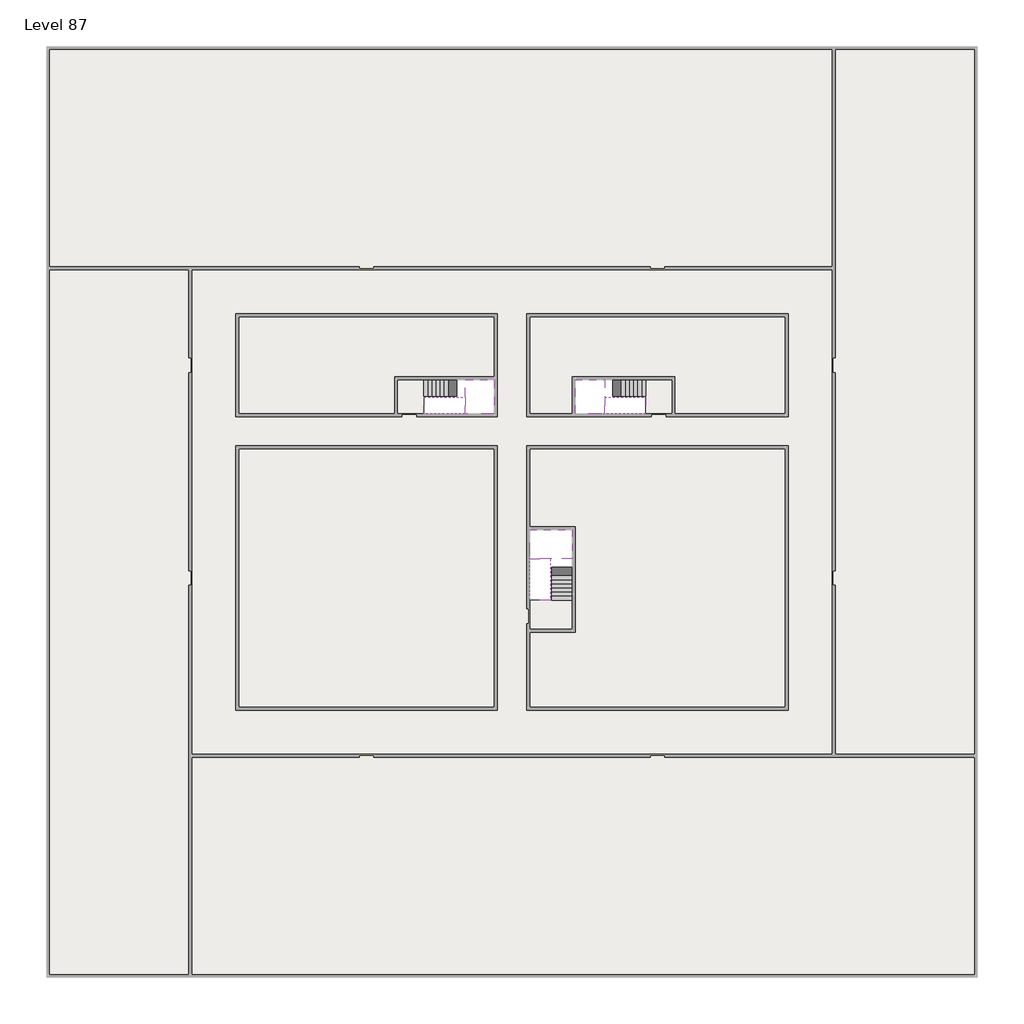
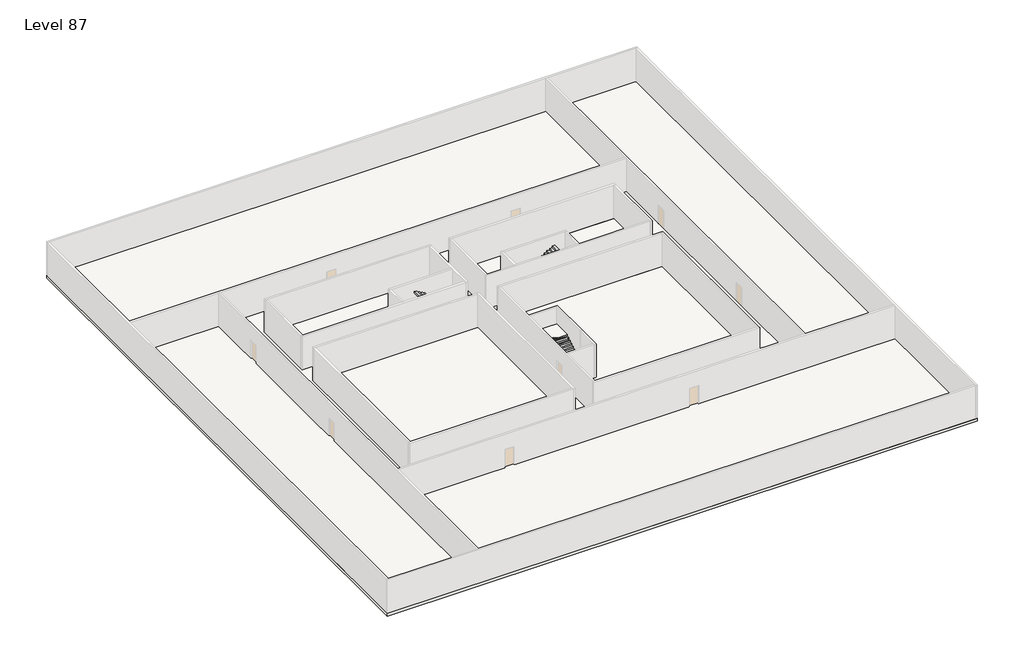
# One storey, part 2 of 2: 6 slabs, 6 stair flights.
"""IFC4 building model written with IfcOpenShell, lengths in millimetres."""

from ifc_helpers import new_model, si_unit, frame, origin, place, context, project, spatial, polyline, outline, extrude, faceted_brep, element, save

model = new_model("IFC4")

# Units and contexts
model_context = context("Model", 3, world=origin())
ifc_project = project(units=[si_unit("LENGTHUNIT", "METRE", prefix="MILLI")], contexts=[model_context])

# Site, building, storey
site = spatial("IfcSite", under=ifc_project)
building = spatial("IfcBuilding", under=site)
storey = spatial("IfcBuildingStorey", under=building, Name="Level 87", Elevation=326800.0)

# Slabs
placement = place(None, origin())
element("IfcSlab", 1, at=placement, inside=storey, context=model_context, shape_type="SweptSolid", body=[
    extrude(outline(polyline([(55890.1058784, -5518.09644), (55890.1058784, -68918.09644), (-7509.8941216, -68918.09644), (-7509.8941216, -5518.09644), (55890.1058784, -5518.09644)]), holes=[polyline([(22990.1058784, -23918.09644), (5590.1058784, -23918.09644), (5590.1058784, -30518.09644), (22990.1058784, -30518.09644), (22990.1058784, -23918.09644)]), polyline([(42990.1058784, -23918.09644), (25390.1058784, -23918.09644), (25390.1058784, -30518.09644), (42990.1058784, -30518.09644), (42990.1058784, -23918.09644)]), polyline([(25390.1058784, -50518.09644), (42790.1058784, -50518.09644), (42790.1058784, -32918.09644), (25390.1058784, -32918.09644), (25390.1058784, -50518.09644)]), polyline([(22990.1058784, -32918.09644), (5590.1058784, -32918.09644), (5590.1058784, -50518.09644), (22990.1058784, -50518.09644), (22990.1058784, -32918.09644)])]), frame((0.0, 0.0, 326500.0), z_axis=(0.0, 0.0, 1.0), x_axis=(1.0, 0.0, 0.0)), (0.0, 0.0, 1.0), 300.0),
])
element("IfcSlab", 2, at=placement, inside=storey, context=model_context, shape_type="SweptSolid", body=[
    extrude(outline(polyline([(22990.1058784, -23918.09644), (22990.1058784, -28018.09644), (16190.1058784, -28018.09644), (16190.1058784, -30518.09644), (5590.1058784, -30518.09644), (5590.1058784, -23918.09644), (22990.1058784, -23918.09644)])), frame((0.0, 0.0, 326500.0), z_axis=(0.0, 0.0, 1.0), x_axis=(1.0, 0.0, 0.0)), (0.0, 0.0, 1.0), 300.0),
    extrude(outline(polyline([(42790.1058784, -23918.09644), (42790.1058784, -30518.09644), (35290.1058784, -30518.09644), (35290.1058784, -28018.09644), (28490.1058784, -28018.09644), (28490.1058784, -30518.09644), (25390.1058784, -30518.09644), (25390.1058784, -23918.09644), (42790.1058784, -23918.09644)])), frame((0.0, 0.0, 326500.0), z_axis=(0.0, 0.0, 1.0), x_axis=(1.0, 0.0, 0.0)), (0.0, 0.0, 1.0), 300.0),
    extrude(outline(polyline([(22990.1058784, -32918.09644), (22990.1058784, -50518.09644), (5590.1058784, -50518.09644), (5590.1058784, -32918.09644), (22990.1058784, -32918.09644)])), frame((0.0, 0.0, 326500.0), z_axis=(0.0, 0.0, 1.0), x_axis=(1.0, 0.0, 0.0)), (0.0, 0.0, 1.0), 300.0),
    extrude(outline(polyline([(25390.1058784, -38218.09644), (25390.1058784, -32918.09644), (42790.1058784, -32918.09644), (42790.1058784, -50518.09644), (25390.1058784, -50518.09644), (25390.1058784, -45418.09644), (28490.1058784, -45418.09644), (28490.1058784, -38218.09644), (25390.1058784, -38218.09644)])), frame((0.0, 0.0, 326500.0), z_axis=(0.0, 0.0, 1.0), x_axis=(1.0, 0.0, 0.0)), (0.0, 0.0, 1.0), 300.0),
])
element("IfcSlab", 3, at=placement, inside=storey, context=model_context, shape_type="Brep", body=[
    faceted_brep([(26890.1058784, -40418.09644, 328700.0), (28290.1058784, -40418.09644, 328700.0), (28290.1058784, -40338.7100038, 328700.0), (28290.1058784, -38418.09644, 328700.0), (25390.1058784, -38418.09644, 328700.0), (25390.1058784, -40217.4828763, 328700.0), (25390.1058784, -40418.09644, 328700.0), (26790.1058784, -40418.09644, 328700.0), (26890.1058784, -40418.09644, 328400.0), (26890.1058784, -40418.09644, 328351.0278478), (28290.1058784, -40418.09644, 328351.0278478), (28290.1058784, -40418.09644, 328527.2727273), (28290.1058784, -40338.7100038, 328400.0), (28290.1058784, -38418.09644, 328400.0), (25390.1058784, -38418.09644, 328400.0), (25390.1058784, -40217.4828763, 328400.0), (25390.1058784, -40418.09644, 328523.7551205), (26790.1058784, -40418.09644, 328523.7551205), (26790.1058784, -40418.09644, 328400.0), (26790.1058784, -40217.4828763, 328400.0), (26890.1058784, -40338.7100038, 328400.0)], [[[0, 1, 2, 3, 4, 5, 6, 7]], [[1, 0, 8, 9, 10, 11]], [[1, 11, 10, 12, 13, 3, 2]], [[4, 3, 13, 14]], [[4, 14, 15, 16, 6, 5]], [[7, 6, 16, 17]], [[0, 7, 17, 18, 8]], [[18, 19, 15, 14, 13, 12, 20, 8]], [[19, 18, 17]], [[20, 12, 10, 9]], [[8, 20, 9]], [[15, 19, 17, 16]]]),
])
element("IfcSlab", 4, at=placement, inside=storey, context=model_context, shape_type="Brep", body=[
    faceted_brep([(20990.1058784, -28218.09644, 328700.0), (20990.1058784, -29318.09644, 328700.0), (20990.1058784, -29418.09644, 328700.0), (20990.1058784, -30518.09644, 328700.0), (21190.7194421, -30518.09644, 328700.0), (22990.1058784, -30518.09644, 328700.0), (22990.1058784, -28218.09644, 328700.0), (21069.4923146, -28218.09644, 328700.0), (20990.1058784, -28218.09644, 328527.2727273), (20990.1058784, -28218.09644, 328351.0278478), (20990.1058784, -29318.09644, 328351.0278478), (20990.1058784, -29318.09644, 328400.0), (20990.1058784, -29418.09644, 328400.0), (20990.1058784, -29418.09644, 328523.7551205), (20990.1058784, -30518.09644, 328523.7551205), (21190.7194421, -30518.09644, 328400.0), (22990.1058784, -30518.09644, 328400.0), (22990.1058784, -28218.09644, 328400.0), (21069.4923146, -28218.09644, 328400.0), (21190.7194421, -29418.09644, 328400.0), (21069.4923146, -29318.09644, 328400.0)], [[[0, 1, 2, 3, 4, 5, 6, 7]], [[1, 0, 8, 9, 10, 11]], [[2, 1, 11, 12, 13]], [[3, 2, 13, 14]], [[3, 14, 15, 16, 5, 4]], [[6, 5, 16, 17]], [[9, 8, 0, 7, 6, 17, 18]], [[19, 12, 11, 20, 18, 17, 16, 15]], [[12, 19, 13]], [[18, 20, 10, 9]], [[20, 11, 10]], [[19, 15, 14, 13]]]),
])
element("IfcSlab", 5, at=placement, inside=storey, context=model_context, shape_type="Brep", body=[
    faceted_brep([(30490.1058784, -29318.09644, 328700.0), (30490.1058784, -28218.09644, 328700.0), (30410.7194421, -28218.09644, 328700.0), (28490.1058784, -28218.09644, 328700.0), (28490.1058784, -30518.09644, 328700.0), (30289.4923146, -30518.09644, 328700.0), (30490.1058784, -30518.09644, 328700.0), (30490.1058784, -29418.09644, 328700.0), (30490.1058784, -29318.09644, 328400.0), (30490.1058784, -29318.09644, 328351.0278478), (30490.1058784, -28218.09644, 328351.0278478), (30490.1058784, -28218.09644, 328527.2727273), (30490.1058784, -29418.09644, 328523.7551205), (30490.1058784, -29418.09644, 328400.0), (30490.1058784, -30518.09644, 328523.7551205), (28490.1058784, -30518.09644, 328400.0), (30289.4923146, -30518.09644, 328400.0), (28490.1058784, -28218.09644, 328400.0), (30410.7194421, -28218.09644, 328400.0), (30289.4923146, -29418.09644, 328400.0), (30410.7194421, -29318.09644, 328400.0)], [[[0, 1, 2, 3, 4, 5, 6, 7]], [[1, 0, 8, 9, 10, 11]], [[0, 7, 12, 13, 8]], [[7, 6, 14, 12]], [[4, 15, 16, 14, 6, 5]], [[4, 3, 17, 15]], [[1, 11, 10, 18, 17, 3, 2]], [[13, 19, 16, 15, 17, 18, 20, 8]], [[20, 18, 10, 9]], [[8, 20, 9]], [[16, 19, 12, 14]], [[19, 13, 12]]]),
])
element("IfcSlab", 6, at=placement, inside=storey, context=model_context, shape_type="SweptSolid", body=[
    extrude(outline(polyline([(35090.1058784, -28218.09644), (35090.1058784, -30518.09644), (33290.1058784, -30518.09644), (33290.1058784, -28218.09644), (35090.1058784, -28218.09644)])), frame((0.0, 0.0, 326500.0), z_axis=(0.0, 0.0, 1.0), x_axis=(1.0, 0.0, 0.0)), (0.0, 0.0, 1.0), 300.0),
    extrude(outline(polyline([(18190.1058784, -28218.09644), (18190.1058784, -30518.09644), (16390.1058784, -30518.09644), (16390.1058784, -28218.09644), (18190.1058784, -28218.09644)])), frame((0.0, 0.0, 326500.0), z_axis=(0.0, 0.0, 1.0), x_axis=(1.0, 0.0, 0.0)), (0.0, 0.0, 1.0), 300.0),
    extrude(outline(polyline([(28290.1058784, -43218.09644), (28290.1058784, -45218.09644), (25390.1058784, -45218.09644), (25390.1058784, -43218.09644), (28290.1058784, -43218.09644)])), frame((0.0, 0.0, 326500.0), z_axis=(0.0, 0.0, 1.0), x_axis=(1.0, 0.0, 0.0)), (0.0, 0.0, 1.0), 300.0),
])

# Stair flights
element("IfcStairFlight", 7, at=placement, inside=storey, context=model_context, shape_type="Brep", body=[
    faceted_brep([(26890.1058784, -42938.09644, 326972.7272727), (26890.1058784, -43218.09644, 326972.7272727), (28290.1058784, -43218.09644, 326972.7272727), (28290.1058784, -42938.09644, 326972.7272727), (26890.1058784, -42938.09644, 326800.0), (26890.1058784, -43218.09644, 326800.0), (28290.1058784, -43218.09644, 326800.0), (28290.1058784, -42938.09644, 326800.0), (26890.1058784, -42658.09644, 327145.4545455), (26890.1058784, -42938.09644, 327145.4545455), (28290.1058784, -42938.09644, 327145.4545455), (28290.1058784, -42658.09644, 327145.4545455), (26890.1058784, -42658.09644, 326969.209666), (26890.1058784, -42932.3942143, 326800.0), (28290.1058784, -42932.3942143, 326800.0), (28290.1058784, -42658.09644, 326969.209666), (26890.1058784, -42378.09644, 327318.1818182), (26890.1058784, -42658.09644, 327318.1818182), (28290.1058784, -42658.09644, 327318.1818182), (28290.1058784, -42378.09644, 327318.1818182), (26890.1058784, -42378.09644, 327141.9369387), (28290.1058784, -42378.09644, 327141.9369387), (26890.1058784, -42098.09644, 327490.9090909), (26890.1058784, -42378.09644, 327490.9090909), (28290.1058784, -42378.09644, 327490.9090909), (28290.1058784, -42098.09644, 327490.9090909), (26890.1058784, -42098.09644, 327314.6642114), (28290.1058784, -42098.09644, 327314.6642114), (26890.1058784, -41818.09644, 327663.6363636), (26890.1058784, -42098.09644, 327663.6363636), (28290.1058784, -42098.09644, 327663.6363636), (28290.1058784, -41818.09644, 327663.6363636), (26890.1058784, -41818.09644, 327487.3914841), (28290.1058784, -41818.09644, 327487.3914841), (26890.1058784, -41538.09644, 327836.3636364), (26890.1058784, -41818.09644, 327836.3636364), (28290.1058784, -41818.09644, 327836.3636364), (28290.1058784, -41538.09644, 327836.3636364), (26890.1058784, -41538.09644, 327660.1187569), (28290.1058784, -41538.09644, 327660.1187569), (26890.1058784, -41258.09644, 328009.0909091), (26890.1058784, -41538.09644, 328009.0909091), (28290.1058784, -41538.09644, 328009.0909091), (28290.1058784, -41258.09644, 328009.0909091), (26890.1058784, -41258.09644, 327832.8460296), (28290.1058784, -41258.09644, 327832.8460296), (26890.1058784, -40978.09644, 328181.8181818), (26890.1058784, -41258.09644, 328181.8181818), (28290.1058784, -41258.09644, 328181.8181818), (28290.1058784, -40978.09644, 328181.8181818), (26890.1058784, -40978.09644, 328005.5733023), (28290.1058784, -40978.09644, 328005.5733023), (26890.1058784, -40698.09644, 328354.5454545), (26890.1058784, -40978.09644, 328354.5454545), (28290.1058784, -40978.09644, 328354.5454545), (28290.1058784, -40698.09644, 328354.5454545), (26890.1058784, -40698.09644, 328178.3005751), (28290.1058784, -40698.09644, 328178.3005751), (26890.1058784, -40418.09644, 328527.2727273), (26890.1058784, -40698.09644, 328527.2727273), (28290.1058784, -40698.09644, 328527.2727273), (28290.1058784, -40418.09644, 328527.2727273), (26890.1058784, -40418.09644, 328400.0), (26890.1058784, -40418.09644, 328351.0278478), (28290.1058784, -40418.09644, 328351.0278478)], [[[0, 1, 2, 3]], [[1, 0, 4, 5]], [[2, 1, 5, 6]], [[3, 2, 6, 7]], [[8, 9, 10, 11]], [[4, 0, 9, 8, 12, 13]], [[0, 3, 10, 9]], [[3, 7, 14, 15, 11, 10]], [[16, 17, 18, 19]], [[17, 16, 20, 12, 8]], [[8, 11, 18, 17]], [[19, 18, 11, 15, 21]], [[22, 23, 24, 25]], [[23, 22, 26, 20, 16]], [[16, 19, 24, 23]], [[25, 24, 19, 21, 27]], [[28, 29, 30, 31]], [[29, 28, 32, 26, 22]], [[22, 25, 30, 29]], [[31, 30, 25, 27, 33]], [[34, 35, 36, 37]], [[35, 34, 38, 32, 28]], [[28, 31, 36, 35]], [[37, 36, 31, 33, 39]], [[40, 41, 42, 43]], [[41, 40, 44, 38, 34]], [[34, 37, 42, 41]], [[43, 42, 37, 39, 45]], [[46, 47, 48, 49]], [[47, 46, 50, 44, 40]], [[40, 43, 48, 47]], [[49, 48, 43, 45, 51]], [[52, 53, 54, 55]], [[53, 52, 56, 50, 46]], [[46, 49, 54, 53]], [[55, 54, 49, 51, 57]], [[58, 59, 60, 61]], [[59, 58, 62, 63, 56, 52]], [[52, 55, 60, 59]], [[61, 60, 55, 57, 64]], [[58, 61, 64, 63, 62]], [[5, 4, 13, 14, 7, 6]], [[14, 13, 12, 20, 26, 32, 38, 44, 50, 56, 63, 64, 57, 51, 45, 39, 33, 27, 21, 15]]]),
])
element("IfcStairFlight", 8, at=placement, inside=storey, context=model_context, shape_type="Brep", body=[
    faceted_brep([(26790.1058784, -40698.09644, 328872.7272727), (26790.1058784, -40418.09644, 328872.7272727), (25390.1058784, -40418.09644, 328872.7272727), (25390.1058784, -40698.09644, 328872.7272727), (26790.1058784, -40698.09644, 328696.4823932), (26790.1058784, -40418.09644, 328523.7551205), (25390.1058784, -40418.09644, 328523.7551205), (25390.1058784, -40418.09644, 328700.0), (25390.1058784, -40698.09644, 328696.4823932), (26790.1058784, -40978.09644, 329045.4545455), (26790.1058784, -40698.09644, 329045.4545455), (25390.1058784, -40698.09644, 329045.4545455), (25390.1058784, -40978.09644, 329045.4545455), (26790.1058784, -40978.09644, 328869.209666), (25390.1058784, -40978.09644, 328869.209666), (26790.1058784, -41258.09644, 329218.1818182), (26790.1058784, -40978.09644, 329218.1818182), (25390.1058784, -40978.09644, 329218.1818182), (25390.1058784, -41258.09644, 329218.1818182), (26790.1058784, -41258.09644, 329041.9369387), (25390.1058784, -41258.09644, 329041.9369387), (26790.1058784, -41538.09644, 329390.9090909), (26790.1058784, -41258.09644, 329390.9090909), (25390.1058784, -41258.09644, 329390.9090909), (25390.1058784, -41538.09644, 329390.9090909), (26790.1058784, -41538.09644, 329214.6642114), (25390.1058784, -41538.09644, 329214.6642114), (26790.1058784, -41818.09644, 329563.6363636), (26790.1058784, -41538.09644, 329563.6363636), (25390.1058784, -41538.09644, 329563.6363636), (25390.1058784, -41818.09644, 329563.6363636), (26790.1058784, -41818.09644, 329387.3914841), (25390.1058784, -41818.09644, 329387.3914841), (26790.1058784, -42098.09644, 329736.3636364), (26790.1058784, -41818.09644, 329736.3636364), (25390.1058784, -41818.09644, 329736.3636364), (25390.1058784, -42098.09644, 329736.3636364), (26790.1058784, -42098.09644, 329560.1187569), (25390.1058784, -42098.09644, 329560.1187569), (26790.1058784, -42378.09644, 329909.0909091), (26790.1058784, -42098.09644, 329909.0909091), (25390.1058784, -42098.09644, 329909.0909091), (25390.1058784, -42378.09644, 329909.0909091), (26790.1058784, -42378.09644, 329732.8460296), (25390.1058784, -42378.09644, 329732.8460296), (26790.1058784, -42658.09644, 330081.8181818), (26790.1058784, -42378.09644, 330081.8181818), (25390.1058784, -42378.09644, 330081.8181818), (25390.1058784, -42658.09644, 330081.8181818), (26790.1058784, -42658.09644, 329905.5733023), (25390.1058784, -42658.09644, 329905.5733023), (26790.1058784, -42938.09644, 330254.5454545), (26790.1058784, -42658.09644, 330254.5454545), (25390.1058784, -42658.09644, 330254.5454545), (25390.1058784, -42938.09644, 330254.5454545), (26790.1058784, -42938.09644, 330078.3005751), (25390.1058784, -42938.09644, 330078.3005751), (26790.1058784, -43218.09644, 330427.2727273), (26790.1058784, -42938.09644, 330427.2727273), (25390.1058784, -42938.09644, 330427.2727273), (25390.1058784, -43218.09644, 330427.2727273), (26790.1058784, -43218.09644, 330251.0278478), (25390.1058784, -43218.09644, 330251.0278478)], [[[0, 1, 2, 3]], [[1, 0, 4, 5]], [[2, 1, 5, 6, 7]], [[3, 2, 7, 6, 8]], [[9, 10, 11, 12]], [[10, 9, 13, 4, 0]], [[11, 10, 0, 3]], [[12, 11, 3, 8, 14]], [[15, 16, 17, 18]], [[16, 15, 19, 13, 9]], [[17, 16, 9, 12]], [[18, 17, 12, 14, 20]], [[21, 22, 23, 24]], [[22, 21, 25, 19, 15]], [[23, 22, 15, 18]], [[24, 23, 18, 20, 26]], [[27, 28, 29, 30]], [[28, 27, 31, 25, 21]], [[29, 28, 21, 24]], [[30, 29, 24, 26, 32]], [[33, 34, 35, 36]], [[34, 33, 37, 31, 27]], [[35, 34, 27, 30]], [[36, 35, 30, 32, 38]], [[39, 40, 41, 42]], [[40, 39, 43, 37, 33]], [[41, 40, 33, 36]], [[42, 41, 36, 38, 44]], [[45, 46, 47, 48]], [[46, 45, 49, 43, 39]], [[47, 46, 39, 42]], [[48, 47, 42, 44, 50]], [[51, 52, 53, 54]], [[52, 51, 55, 49, 45]], [[53, 52, 45, 48]], [[54, 53, 48, 50, 56]], [[57, 58, 59, 60]], [[58, 57, 61, 55, 51]], [[59, 58, 51, 54]], [[60, 59, 54, 56, 62]], [[57, 60, 62, 61]], [[5, 4, 13, 19, 25, 31, 37, 43, 49, 55, 61, 62, 56, 50, 44, 38, 32, 26, 20, 14, 8, 6]]]),
])
element("IfcStairFlight", 9, at=placement, inside=storey, context=model_context, shape_type="Brep", body=[
    faceted_brep([(18470.1058784, -28218.09644, 326972.7272727), (18190.1058784, -28218.09644, 326972.7272727), (18190.1058784, -29318.09644, 326972.7272727), (18470.1058784, -29318.09644, 326972.7272727), (18470.1058784, -28218.09644, 326800.0), (18190.1058784, -28218.09644, 326800.0), (18190.1058784, -29318.09644, 326800.0), (18470.1058784, -29318.09644, 326800.0), (18750.1058784, -28218.09644, 327145.4545455), (18470.1058784, -28218.09644, 327145.4545455), (18470.1058784, -29318.09644, 327145.4545455), (18750.1058784, -29318.09644, 327145.4545455), (18750.1058784, -28218.09644, 326969.209666), (18475.8081041, -28218.09644, 326800.0), (18475.8081041, -29318.09644, 326800.0), (18750.1058784, -29318.09644, 326969.209666), (19030.1058784, -28218.09644, 327318.1818182), (18750.1058784, -28218.09644, 327318.1818182), (18750.1058784, -29318.09644, 327318.1818182), (19030.1058784, -29318.09644, 327318.1818182), (19030.1058784, -28218.09644, 327141.9369387), (19030.1058784, -29318.09644, 327141.9369387), (19310.1058784, -28218.09644, 327490.9090909), (19030.1058784, -28218.09644, 327490.9090909), (19030.1058784, -29318.09644, 327490.9090909), (19310.1058784, -29318.09644, 327490.9090909), (19310.1058784, -28218.09644, 327314.6642114), (19310.1058784, -29318.09644, 327314.6642114), (19590.1058784, -28218.09644, 327663.6363636), (19310.1058784, -28218.09644, 327663.6363636), (19310.1058784, -29318.09644, 327663.6363636), (19590.1058784, -29318.09644, 327663.6363636), (19590.1058784, -28218.09644, 327487.3914841), (19590.1058784, -29318.09644, 327487.3914841), (19870.1058784, -28218.09644, 327836.3636364), (19590.1058784, -28218.09644, 327836.3636364), (19590.1058784, -29318.09644, 327836.3636364), (19870.1058784, -29318.09644, 327836.3636364), (19870.1058784, -28218.09644, 327660.1187569), (19870.1058784, -29318.09644, 327660.1187569), (20150.1058784, -28218.09644, 328009.0909091), (19870.1058784, -28218.09644, 328009.0909091), (19870.1058784, -29318.09644, 328009.0909091), (20150.1058784, -29318.09644, 328009.0909091), (20150.1058784, -28218.09644, 327832.8460296), (20150.1058784, -29318.09644, 327832.8460296), (20430.1058784, -28218.09644, 328181.8181818), (20150.1058784, -28218.09644, 328181.8181818), (20150.1058784, -29318.09644, 328181.8181818), (20430.1058784, -29318.09644, 328181.8181818), (20430.1058784, -28218.09644, 328005.5733023), (20430.1058784, -29318.09644, 328005.5733023), (20710.1058784, -28218.09644, 328354.5454545), (20430.1058784, -28218.09644, 328354.5454545), (20430.1058784, -29318.09644, 328354.5454545), (20710.1058784, -29318.09644, 328354.5454545), (20710.1058784, -28218.09644, 328178.3005751), (20710.1058784, -29318.09644, 328178.3005751), (20990.1058784, -28218.09644, 328527.2727273), (20710.1058784, -28218.09644, 328527.2727273), (20710.1058784, -29318.09644, 328527.2727273), (20990.1058784, -29318.09644, 328527.2727273), (20990.1058784, -28218.09644, 328351.0278478), (20990.1058784, -29318.09644, 328351.0278478), (20990.1058784, -29318.09644, 328400.0)], [[[0, 1, 2, 3]], [[1, 0, 4, 5]], [[2, 1, 5, 6]], [[3, 2, 6, 7]], [[8, 9, 10, 11]], [[4, 0, 9, 8, 12, 13]], [[0, 3, 10, 9]], [[3, 7, 14, 15, 11, 10]], [[16, 17, 18, 19]], [[17, 16, 20, 12, 8]], [[8, 11, 18, 17]], [[19, 18, 11, 15, 21]], [[22, 23, 24, 25]], [[23, 22, 26, 20, 16]], [[16, 19, 24, 23]], [[25, 24, 19, 21, 27]], [[28, 29, 30, 31]], [[29, 28, 32, 26, 22]], [[22, 25, 30, 29]], [[31, 30, 25, 27, 33]], [[34, 35, 36, 37]], [[35, 34, 38, 32, 28]], [[28, 31, 36, 35]], [[37, 36, 31, 33, 39]], [[40, 41, 42, 43]], [[41, 40, 44, 38, 34]], [[34, 37, 42, 41]], [[43, 42, 37, 39, 45]], [[46, 47, 48, 49]], [[47, 46, 50, 44, 40]], [[40, 43, 48, 47]], [[49, 48, 43, 45, 51]], [[52, 53, 54, 55]], [[53, 52, 56, 50, 46]], [[46, 49, 54, 53]], [[55, 54, 49, 51, 57]], [[58, 59, 60, 61]], [[59, 58, 62, 56, 52]], [[52, 55, 60, 59]], [[61, 60, 55, 57, 63, 64]], [[58, 61, 64, 63, 62]], [[5, 4, 13, 14, 7, 6]], [[14, 13, 12, 20, 26, 32, 38, 44, 50, 56, 62, 63, 57, 51, 45, 39, 33, 27, 21, 15]]]),
])
element("IfcStairFlight", 10, at=placement, inside=storey, context=model_context, shape_type="Brep", body=[
    faceted_brep([(20710.1058784, -30518.09644, 328872.7272727), (20990.1058784, -30518.09644, 328872.7272727), (20990.1058784, -29418.09644, 328872.7272727), (20710.1058784, -29418.09644, 328872.7272727), (20710.1058784, -30518.09644, 328696.4823932), (20990.1058784, -30518.09644, 328523.7551205), (20990.1058784, -30518.09644, 328700.0), (20990.1058784, -29418.09644, 328523.7551205), (20710.1058784, -29418.09644, 328696.4823932), (20430.1058784, -30518.09644, 329045.4545455), (20710.1058784, -30518.09644, 329045.4545455), (20710.1058784, -29418.09644, 329045.4545455), (20430.1058784, -29418.09644, 329045.4545455), (20430.1058784, -30518.09644, 328869.209666), (20430.1058784, -29418.09644, 328869.209666), (20150.1058784, -30518.09644, 329218.1818182), (20430.1058784, -30518.09644, 329218.1818182), (20430.1058784, -29418.09644, 329218.1818182), (20150.1058784, -29418.09644, 329218.1818182), (20150.1058784, -30518.09644, 329041.9369387), (20150.1058784, -29418.09644, 329041.9369387), (19870.1058784, -30518.09644, 329390.9090909), (20150.1058784, -30518.09644, 329390.9090909), (20150.1058784, -29418.09644, 329390.9090909), (19870.1058784, -29418.09644, 329390.9090909), (19870.1058784, -30518.09644, 329214.6642114), (19870.1058784, -29418.09644, 329214.6642114), (19590.1058784, -30518.09644, 329563.6363636), (19870.1058784, -30518.09644, 329563.6363636), (19870.1058784, -29418.09644, 329563.6363636), (19590.1058784, -29418.09644, 329563.6363636), (19590.1058784, -30518.09644, 329387.3914841), (19590.1058784, -29418.09644, 329387.3914841), (19310.1058784, -30518.09644, 329736.3636364), (19590.1058784, -30518.09644, 329736.3636364), (19590.1058784, -29418.09644, 329736.3636364), (19310.1058784, -29418.09644, 329736.3636364), (19310.1058784, -30518.09644, 329560.1187569), (19310.1058784, -29418.09644, 329560.1187569), (19030.1058784, -30518.09644, 329909.0909091), (19310.1058784, -30518.09644, 329909.0909091), (19310.1058784, -29418.09644, 329909.0909091), (19030.1058784, -29418.09644, 329909.0909091), (19030.1058784, -30518.09644, 329732.8460296), (19030.1058784, -29418.09644, 329732.8460296), (18750.1058784, -30518.09644, 330081.8181818), (19030.1058784, -30518.09644, 330081.8181818), (19030.1058784, -29418.09644, 330081.8181818), (18750.1058784, -29418.09644, 330081.8181818), (18750.1058784, -30518.09644, 329905.5733023), (18750.1058784, -29418.09644, 329905.5733023), (18470.1058784, -30518.09644, 330254.5454545), (18750.1058784, -30518.09644, 330254.5454545), (18750.1058784, -29418.09644, 330254.5454545), (18470.1058784, -29418.09644, 330254.5454545), (18470.1058784, -30518.09644, 330078.3005751), (18470.1058784, -29418.09644, 330078.3005751), (18190.1058784, -30518.09644, 330427.2727273), (18470.1058784, -30518.09644, 330427.2727273), (18470.1058784, -29418.09644, 330427.2727273), (18190.1058784, -29418.09644, 330427.2727273), (18190.1058784, -30518.09644, 330251.0278478), (18190.1058784, -29418.09644, 330251.0278478)], [[[0, 1, 2, 3]], [[1, 0, 4, 5, 6]], [[2, 1, 6, 5, 7]], [[3, 2, 7, 8]], [[9, 10, 11, 12]], [[10, 9, 13, 4, 0]], [[11, 10, 0, 3]], [[12, 11, 3, 8, 14]], [[15, 16, 17, 18]], [[16, 15, 19, 13, 9]], [[17, 16, 9, 12]], [[18, 17, 12, 14, 20]], [[21, 22, 23, 24]], [[22, 21, 25, 19, 15]], [[23, 22, 15, 18]], [[24, 23, 18, 20, 26]], [[27, 28, 29, 30]], [[28, 27, 31, 25, 21]], [[29, 28, 21, 24]], [[30, 29, 24, 26, 32]], [[33, 34, 35, 36]], [[34, 33, 37, 31, 27]], [[35, 34, 27, 30]], [[36, 35, 30, 32, 38]], [[39, 40, 41, 42]], [[40, 39, 43, 37, 33]], [[41, 40, 33, 36]], [[42, 41, 36, 38, 44]], [[45, 46, 47, 48]], [[46, 45, 49, 43, 39]], [[47, 46, 39, 42]], [[48, 47, 42, 44, 50]], [[51, 52, 53, 54]], [[52, 51, 55, 49, 45]], [[53, 52, 45, 48]], [[54, 53, 48, 50, 56]], [[57, 58, 59, 60]], [[58, 57, 61, 55, 51]], [[59, 58, 51, 54]], [[60, 59, 54, 56, 62]], [[57, 60, 62, 61]], [[5, 4, 13, 19, 25, 31, 37, 43, 49, 55, 61, 62, 56, 50, 44, 38, 32, 26, 20, 14, 8, 7]]]),
])
element("IfcStairFlight", 11, at=placement, inside=storey, context=model_context, shape_type="Brep", body=[
    faceted_brep([(33010.1058784, -29318.09644, 326972.7272727), (33290.1058784, -29318.09644, 326972.7272727), (33290.1058784, -28218.09644, 326972.7272727), (33010.1058784, -28218.09644, 326972.7272727), (33290.1058784, -28218.09644, 326800.0), (33010.1058784, -28218.09644, 326800.0), (33290.1058784, -29318.09644, 326800.0), (33010.1058784, -29318.09644, 326800.0), (32730.1058784, -29318.09644, 327145.4545455), (33010.1058784, -29318.09644, 327145.4545455), (33010.1058784, -28218.09644, 327145.4545455), (32730.1058784, -28218.09644, 327145.4545455), (33004.4036527, -28218.09644, 326800.0), (32730.1058784, -28218.09644, 326969.209666), (32730.1058784, -29318.09644, 326969.209666), (33004.4036527, -29318.09644, 326800.0), (32450.1058784, -29318.09644, 327318.1818182), (32730.1058784, -29318.09644, 327318.1818182), (32730.1058784, -28218.09644, 327318.1818182), (32450.1058784, -28218.09644, 327318.1818182), (32450.1058784, -28218.09644, 327141.9369387), (32450.1058784, -29318.09644, 327141.9369387), (32170.1058784, -29318.09644, 327490.9090909), (32450.1058784, -29318.09644, 327490.9090909), (32450.1058784, -28218.09644, 327490.9090909), (32170.1058784, -28218.09644, 327490.9090909), (32170.1058784, -28218.09644, 327314.6642114), (32170.1058784, -29318.09644, 327314.6642114), (31890.1058784, -29318.09644, 327663.6363636), (32170.1058784, -29318.09644, 327663.6363636), (32170.1058784, -28218.09644, 327663.6363636), (31890.1058784, -28218.09644, 327663.6363636), (31890.1058784, -28218.09644, 327487.3914841), (31890.1058784, -29318.09644, 327487.3914841), (31610.1058784, -29318.09644, 327836.3636364), (31890.1058784, -29318.09644, 327836.3636364), (31890.1058784, -28218.09644, 327836.3636364), (31610.1058784, -28218.09644, 327836.3636364), (31610.1058784, -28218.09644, 327660.1187569), (31610.1058784, -29318.09644, 327660.1187569), (31330.1058784, -29318.09644, 328009.0909091), (31610.1058784, -29318.09644, 328009.0909091), (31610.1058784, -28218.09644, 328009.0909091), (31330.1058784, -28218.09644, 328009.0909091), (31330.1058784, -28218.09644, 327832.8460296), (31330.1058784, -29318.09644, 327832.8460296), (31050.1058784, -29318.09644, 328181.8181818), (31330.1058784, -29318.09644, 328181.8181818), (31330.1058784, -28218.09644, 328181.8181818), (31050.1058784, -28218.09644, 328181.8181818), (31050.1058784, -28218.09644, 328005.5733023), (31050.1058784, -29318.09644, 328005.5733023), (30770.1058784, -29318.09644, 328354.5454545), (31050.1058784, -29318.09644, 328354.5454545), (31050.1058784, -28218.09644, 328354.5454545), (30770.1058784, -28218.09644, 328354.5454545), (30770.1058784, -28218.09644, 328178.3005751), (30770.1058784, -29318.09644, 328178.3005751), (30490.1058784, -29318.09644, 328527.2727273), (30770.1058784, -29318.09644, 328527.2727273), (30770.1058784, -28218.09644, 328527.2727273), (30490.1058784, -28218.09644, 328527.2727273), (30490.1058784, -28218.09644, 328351.0278478), (30490.1058784, -29318.09644, 328400.0), (30490.1058784, -29318.09644, 328351.0278478)], [[[0, 1, 2, 3]], [[3, 2, 4, 5]], [[2, 1, 6, 4]], [[1, 0, 7, 6]], [[8, 9, 10, 11]], [[3, 5, 12, 13, 11, 10]], [[0, 3, 10, 9]], [[7, 0, 9, 8, 14, 15]], [[16, 17, 18, 19]], [[19, 18, 11, 13, 20]], [[8, 11, 18, 17]], [[17, 16, 21, 14, 8]], [[22, 23, 24, 25]], [[25, 24, 19, 20, 26]], [[16, 19, 24, 23]], [[23, 22, 27, 21, 16]], [[28, 29, 30, 31]], [[31, 30, 25, 26, 32]], [[22, 25, 30, 29]], [[29, 28, 33, 27, 22]], [[34, 35, 36, 37]], [[37, 36, 31, 32, 38]], [[28, 31, 36, 35]], [[35, 34, 39, 33, 28]], [[40, 41, 42, 43]], [[43, 42, 37, 38, 44]], [[34, 37, 42, 41]], [[41, 40, 45, 39, 34]], [[46, 47, 48, 49]], [[49, 48, 43, 44, 50]], [[40, 43, 48, 47]], [[47, 46, 51, 45, 40]], [[52, 53, 54, 55]], [[55, 54, 49, 50, 56]], [[46, 49, 54, 53]], [[53, 52, 57, 51, 46]], [[58, 59, 60, 61]], [[61, 60, 55, 56, 62]], [[52, 55, 60, 59]], [[59, 58, 63, 64, 57, 52]], [[58, 61, 62, 64, 63]], [[6, 7, 15, 12, 5, 4]], [[12, 15, 14, 21, 27, 33, 39, 45, 51, 57, 64, 62, 56, 50, 44, 38, 32, 26, 20, 13]]]),
])
element("IfcStairFlight", 12, at=placement, inside=storey, context=model_context, shape_type="Brep", body=[
    faceted_brep([(30770.1058784, -29418.09644, 328872.7272727), (30490.1058784, -29418.09644, 328872.7272727), (30490.1058784, -30518.09644, 328872.7272727), (30770.1058784, -30518.09644, 328872.7272727), (30490.1058784, -30518.09644, 328700.0), (30490.1058784, -30518.09644, 328523.7551205), (30770.1058784, -30518.09644, 328696.4823932), (30490.1058784, -29418.09644, 328523.7551205), (30770.1058784, -29418.09644, 328696.4823932), (31050.1058784, -29418.09644, 329045.4545455), (30770.1058784, -29418.09644, 329045.4545455), (30770.1058784, -30518.09644, 329045.4545455), (31050.1058784, -30518.09644, 329045.4545455), (31050.1058784, -30518.09644, 328869.209666), (31050.1058784, -29418.09644, 328869.209666), (31330.1058784, -29418.09644, 329218.1818182), (31050.1058784, -29418.09644, 329218.1818182), (31050.1058784, -30518.09644, 329218.1818182), (31330.1058784, -30518.09644, 329218.1818182), (31330.1058784, -30518.09644, 329041.9369387), (31330.1058784, -29418.09644, 329041.9369387), (31610.1058784, -29418.09644, 329390.9090909), (31330.1058784, -29418.09644, 329390.9090909), (31330.1058784, -30518.09644, 329390.9090909), (31610.1058784, -30518.09644, 329390.9090909), (31610.1058784, -30518.09644, 329214.6642114), (31610.1058784, -29418.09644, 329214.6642114), (31890.1058784, -29418.09644, 329563.6363636), (31610.1058784, -29418.09644, 329563.6363636), (31610.1058784, -30518.09644, 329563.6363636), (31890.1058784, -30518.09644, 329563.6363636), (31890.1058784, -30518.09644, 329387.3914841), (31890.1058784, -29418.09644, 329387.3914841), (32170.1058784, -29418.09644, 329736.3636364), (31890.1058784, -29418.09644, 329736.3636364), (31890.1058784, -30518.09644, 329736.3636364), (32170.1058784, -30518.09644, 329736.3636364), (32170.1058784, -30518.09644, 329560.1187569), (32170.1058784, -29418.09644, 329560.1187569), (32450.1058784, -29418.09644, 329909.0909091), (32170.1058784, -29418.09644, 329909.0909091), (32170.1058784, -30518.09644, 329909.0909091), (32450.1058784, -30518.09644, 329909.0909091), (32450.1058784, -30518.09644, 329732.8460296), (32450.1058784, -29418.09644, 329732.8460296), (32730.1058784, -29418.09644, 330081.8181818), (32450.1058784, -29418.09644, 330081.8181818), (32450.1058784, -30518.09644, 330081.8181818), (32730.1058784, -30518.09644, 330081.8181818), (32730.1058784, -30518.09644, 329905.5733023), (32730.1058784, -29418.09644, 329905.5733023), (33010.1058784, -29418.09644, 330254.5454545), (32730.1058784, -29418.09644, 330254.5454545), (32730.1058784, -30518.09644, 330254.5454545), (33010.1058784, -30518.09644, 330254.5454545), (33010.1058784, -30518.09644, 330078.3005751), (33010.1058784, -29418.09644, 330078.3005751), (33290.1058784, -29418.09644, 330427.2727273), (33010.1058784, -29418.09644, 330427.2727273), (33010.1058784, -30518.09644, 330427.2727273), (33290.1058784, -30518.09644, 330427.2727273), (33290.1058784, -30518.09644, 330251.0278478), (33290.1058784, -29418.09644, 330251.0278478)], [[[0, 1, 2, 3]], [[3, 2, 4, 5, 6]], [[2, 1, 7, 5, 4]], [[1, 0, 8, 7]], [[9, 10, 11, 12]], [[12, 11, 3, 6, 13]], [[11, 10, 0, 3]], [[10, 9, 14, 8, 0]], [[15, 16, 17, 18]], [[18, 17, 12, 13, 19]], [[17, 16, 9, 12]], [[16, 15, 20, 14, 9]], [[21, 22, 23, 24]], [[24, 23, 18, 19, 25]], [[23, 22, 15, 18]], [[22, 21, 26, 20, 15]], [[27, 28, 29, 30]], [[30, 29, 24, 25, 31]], [[29, 28, 21, 24]], [[28, 27, 32, 26, 21]], [[33, 34, 35, 36]], [[36, 35, 30, 31, 37]], [[35, 34, 27, 30]], [[34, 33, 38, 32, 27]], [[39, 40, 41, 42]], [[42, 41, 36, 37, 43]], [[41, 40, 33, 36]], [[40, 39, 44, 38, 33]], [[45, 46, 47, 48]], [[48, 47, 42, 43, 49]], [[47, 46, 39, 42]], [[46, 45, 50, 44, 39]], [[51, 52, 53, 54]], [[54, 53, 48, 49, 55]], [[53, 52, 45, 48]], [[52, 51, 56, 50, 45]], [[57, 58, 59, 60]], [[60, 59, 54, 55, 61]], [[59, 58, 51, 54]], [[58, 57, 62, 56, 51]], [[57, 60, 61, 62]], [[7, 8, 14, 20, 26, 32, 38, 44, 50, 56, 62, 61, 55, 49, 43, 37, 31, 25, 19, 13, 6, 5]]]),
])

save(model, "model.ifc")
